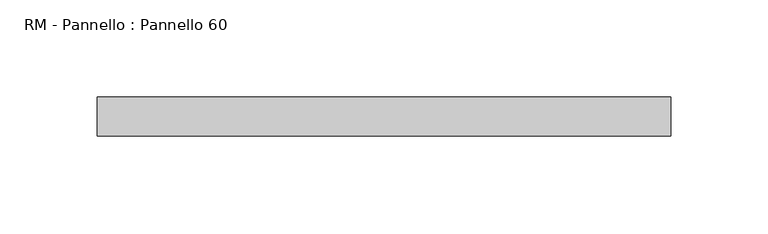
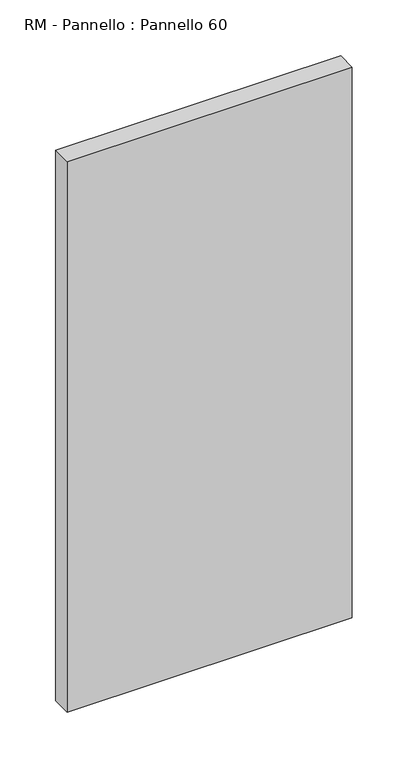
"""IFC4 building model written with IfcOpenShell, lengths in millimetres: plate geometry, RM - Pannello : Pannello 60."""

from ifc_helpers import new_model, si_unit, origin, origin_with_axes, place, context, project, spatial, polyline, outline, extrude, source, transform, mapped, element, save


def rm_pannello_pannello_60_127fb0a9(model_context):
    return source(origin(), model_context, "Body", "SweptSolid", [
        extrude(outline(polyline([(147.0, 200.0), (147.0, 180.0), (-147.0, 180.0), (-147.0, 200.0), (147.0, 200.0)])), origin_with_axes(), (0.0, 0.0, 1.0), 600.0),
    ])


if __name__ == "__main__":
    model = new_model("IFC4")
    model_context = context("Model", 3, world=origin())
    ifc_project = project(units=[si_unit("LENGTHUNIT", "METRE", prefix="MILLI")], contexts=[model_context])
    site = spatial("IfcSite", under=ifc_project)
    building = spatial("IfcBuilding", under=site)
    placement = place(None, origin())
    rm_pannello_pannello_60_shape = rm_pannello_pannello_60_127fb0a9(model_context)
    element("IfcPlate", 1, ObjectType="RM - Pannello : Pannello 60", at=placement, inside=building, context=model_context, shape_type="MappedRepresentation", body=[
        mapped(rm_pannello_pannello_60_shape, transform((0.0, 0.0, 0.0), x_axis=(1.0, 0.0, 0.0), y_axis=(0.0, 1.0, 0.0), z_axis=(0.0, 0.0, 1.0))),
    ])
    save(model, "model.ifc")
